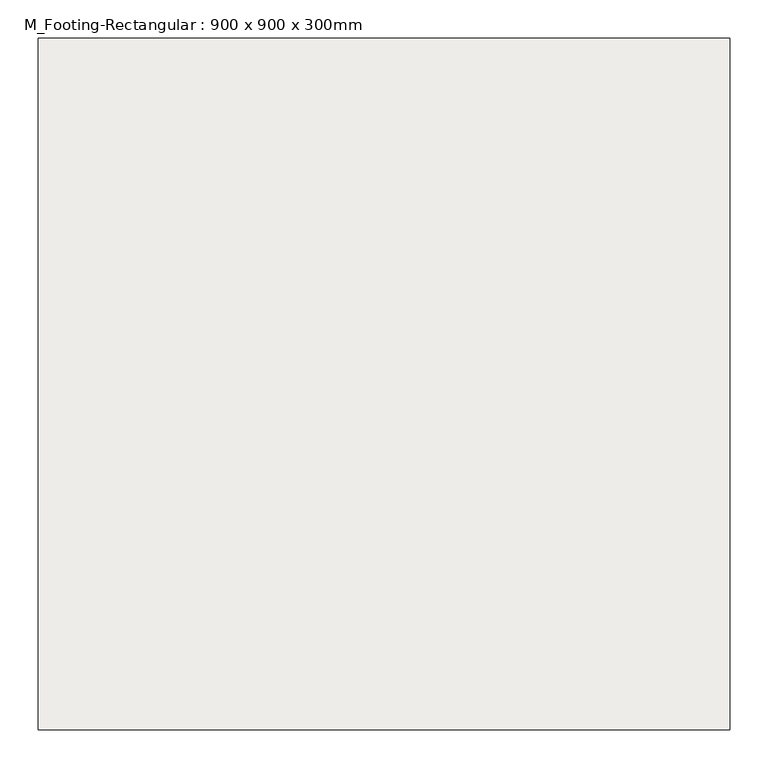
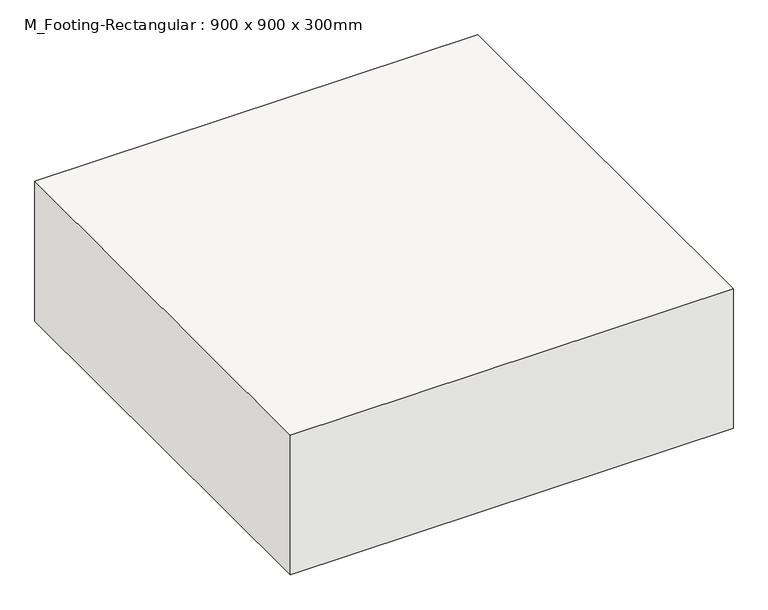
"""IFC4 building model written with IfcOpenShell, lengths in millimetres: slab geometry, M_Footing-Rectangular : 900 x 900 x 300mm."""

from ifc_helpers import new_model, si_unit, frame, origin, place, context, project, spatial, polyline, outline, extrude, source, transform, mapped, element, save


def m_footing_rectangular_900_x_900_x_300mm_c17b2515(model_context):
    return source(origin(), model_context, "Body", "SweptSolid", [
        extrude(outline(polyline([(450.0, 450.0), (450.0, -450.0), (-450.0, -450.0), (-450.0, 450.0), (450.0, 450.0)])), frame((0.0, 0.0, -300.0), z_axis=(0.0, 0.0, 1.0), x_axis=(1.0, 0.0, 0.0)), (0.0, 0.0, 1.0), 300.0),
    ])


if __name__ == "__main__":
    model = new_model("IFC4")
    model_context = context("Model", 3, world=origin())
    ifc_project = project(units=[si_unit("LENGTHUNIT", "METRE", prefix="MILLI")], contexts=[model_context])
    site = spatial("IfcSite", under=ifc_project)
    building = spatial("IfcBuilding", under=site)
    placement = place(None, origin())
    m_footing_rectangular_900_x_900_x_300mm_shape = m_footing_rectangular_900_x_900_x_300mm_c17b2515(model_context)
    element("IfcSlab", 1, ObjectType="M_Footing-Rectangular : 900 x 900 x 300mm", at=placement, inside=building, context=model_context, shape_type="MappedRepresentation", body=[
        mapped(m_footing_rectangular_900_x_900_x_300mm_shape, transform((0.0, 0.0, 0.0), x_axis=(1.0, 0.0, 0.0), y_axis=(0.0, 1.0, 0.0), z_axis=(0.0, 0.0, 1.0))),
    ])
    save(model, "model.ifc")
